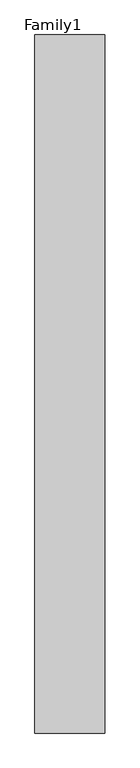
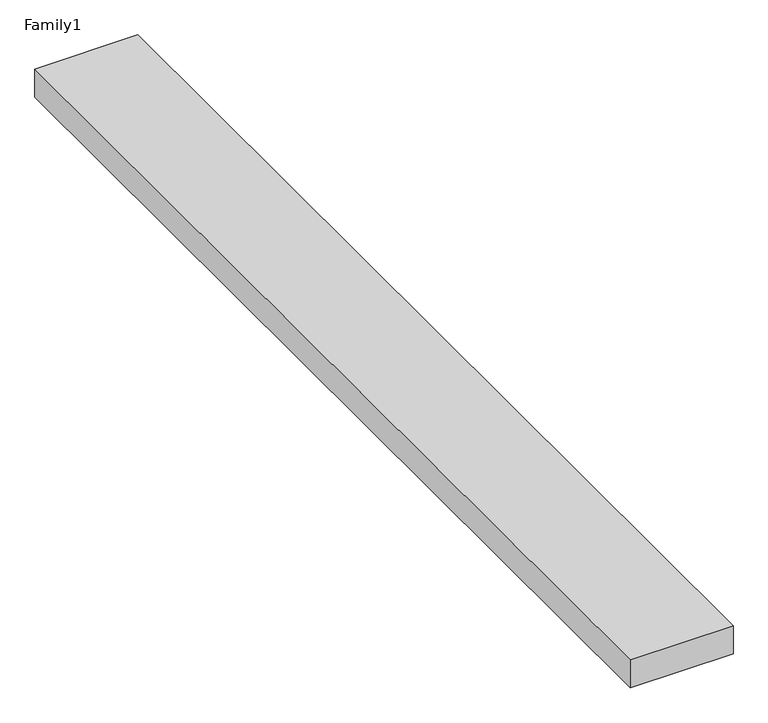
"""IFC4 building model written with IfcOpenShell, lengths in millimetres: proxy geometry, Family1."""

from ifc_helpers import new_model, si_unit, origin, origin_with_axes, place, context, project, spatial, polyline, outline, extrude, source, transform, mapped, element, save


def family1_b926c3a6(model_context):
    return source(origin(), model_context, "Body", "SweptSolid", [
        extrude(outline(polyline([(5000.0, 0.0), (0.0, 0.0), (0.0, 50000.0), (5000.0, 50000.0), (5000.0, 0.0)])), origin_with_axes(), (0.0, 0.0, 1.0), 1445.0),
    ])


if __name__ == "__main__":
    model = new_model("IFC4")
    model_context = context("Model", 3, world=origin())
    ifc_project = project(units=[si_unit("LENGTHUNIT", "METRE", prefix="MILLI")], contexts=[model_context])
    site = spatial("IfcSite", under=ifc_project)
    building = spatial("IfcBuilding", under=site)
    placement = place(None, origin())
    family1_shape = family1_b926c3a6(model_context)
    element("IfcBuildingElementProxy", 1, Name="Family1", ObjectType="Family1", at=placement, inside=building, context=model_context, shape_type="MappedRepresentation", body=[
        mapped(family1_shape, transform((0.0, 0.0, 0.0), x_axis=(1.0, 0.0, 0.0), y_axis=(0.0, 1.0, 0.0), z_axis=(0.0, 0.0, 1.0))),
    ])
    save(model, "model.ifc")
